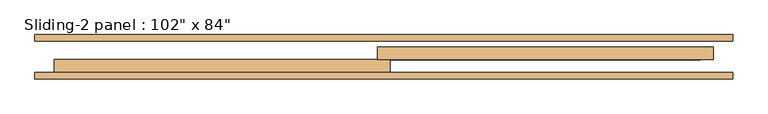
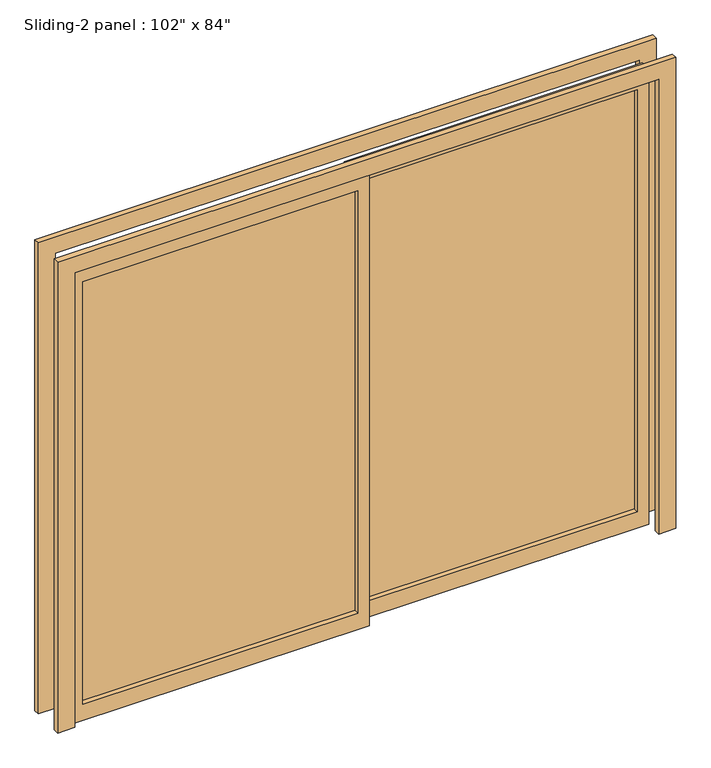
"""IFC4 building model written with IfcOpenShell, lengths in millimetres: door geometry."""

import ifcopenshell
import ifcopenshell.guid

model = None  # the IFC model being written
_history = None  # IfcOwnerHistory: only IFC2X3 demands one
_inside = {}  # id of a spatial element -> (the spatial element, [elements in it])
_under = {}  # id of a project, library or spatial element -> (it, [spatial elements below it])
_declared = {}  # id of a project -> (the project, [libraries it declares])
_typed = {}  # id of a type object -> (the type object, [elements of that type])
_made_of = {}  # id of a material, layer set ... -> (it, [elements and type objects made of it])


def new_model(schema):
    """Start an empty IFC model of exactly this schema.

    Asked for "IFC4X3", IfcOpenShell would pick the latest addendum, in which some entities
    have other attributes; the version numbers below select the first issue.
    IFC2X3 requires an IfcOwnerHistory on every rooted entity: one is made here for all.
    """
    global model, _history
    if schema == "IFC4X3":
        model = ifcopenshell.file(schema_version=(4, 3, 0, 0))
    else:
        model = ifcopenshell.file(schema=schema)
    _inside.clear()
    _under.clear()
    _declared.clear()
    _typed.clear()
    _made_of.clear()
    _history = None
    if model.schema == "IFC2X3":
        org = make("IfcOrganization", Name="unknown")
        user = make(
            "IfcPersonAndOrganization",
            ThePerson=make("IfcPerson", FamilyName="unknown"),
            TheOrganization=org,
        )
        app = make(
            "IfcApplication",
            ApplicationDeveloper=org,
            Version="unknown",
            ApplicationFullName="unknown",
            ApplicationIdentifier="unknown",
        )
        _history = make(
            "IfcOwnerHistory",
            OwningUser=user,
            OwningApplication=app,
            ChangeAction="ADDED",
            CreationDate=0,
        )
    return model


def make(cls, **values):
    """One entity of the class cls with the attributes given. An attribute that is None is left unset."""
    return model.create_entity(
        cls, **{name: value for name, value in values.items() if value is not None}
    )


def rooted(cls, **values):
    """An entity with a GlobalId (a new one), such as an element, a storey or a relation."""
    return make(cls, GlobalId=ifcopenshell.guid.new(), OwnerHistory=_history, **values)


def si_unit(unit_type, name, prefix=None):
    """IfcSIUnit, for example si_unit("LENGTHUNIT", "METRE", prefix="MILLI")."""
    return make("IfcSIUnit", UnitType=unit_type, Prefix=prefix, Name=name)


def assignment(units):
    """IfcUnitAssignment: the units of a project."""
    return None if units is None else make("IfcUnitAssignment", Units=units)


def point(xyz):
    """IfcCartesianPoint."""
    return None if xyz is None else make("IfcCartesianPoint", Coordinates=xyz)


def direction(xyz):
    """IfcDirection."""
    return None if xyz is None else make("IfcDirection", DirectionRatios=xyz)


def frame(location, z_axis=None, x_axis=None):
    """IfcAxis2Placement3D, a coordinate frame: its origin and axes. An axis left out is left unset."""
    return make(
        "IfcAxis2Placement3D",
        Location=point(location),
        Axis=direction(z_axis),
        RefDirection=direction(x_axis),
    )


def origin():
    """The frame at (0, 0, 0) with its axes left unset."""
    return frame((0.0, 0.0, 0.0))


def place(relative_to, where):
    """IfcLocalPlacement: puts the frame where relative to a parent placement (None: the world)."""
    return make(
        "IfcLocalPlacement", PlacementRelTo=relative_to, RelativePlacement=where
    )


def context(
    kind, dimensions, precision=None, world=None, true_north=None, identifier=None
):
    """IfcGeometricRepresentationContext, for example the 3D "Model" context."""
    return make(
        "IfcGeometricRepresentationContext",
        ContextIdentifier=identifier,
        ContextType=kind,
        CoordinateSpaceDimension=dimensions,
        Precision=precision,
        WorldCoordinateSystem=world,
        TrueNorth=true_north,
    )


def project(units=None, contexts=None):
    """IfcProject with its units and contexts."""
    return rooted(
        "IfcProject",
        Name="project",
        RepresentationContexts=contexts,
        UnitsInContext=assignment(units),
    )


def spatial(cls, under=None, at=None, **own):
    """A site, building, storey or space (cls), placed at a placement, below another one or the project."""
    s = rooted(cls, ObjectPlacement=at, **own)
    if under is not None:
        _under.setdefault(under.id(), (under, []))[1].append(s)
    return s


def polyline(points):
    """IfcPolyline through the points."""
    return make("IfcPolyline", Points=[point(p) for p in points])


def outline(outer, holes=None, kind="AREA"):
    """IfcArbitraryClosedProfileDef: a profile drawn as a closed curve; with holes, ...WithVoids."""
    if holes is None:
        return make("IfcArbitraryClosedProfileDef", ProfileType=kind, OuterCurve=outer)
    return make(
        "IfcArbitraryProfileDefWithVoids",
        ProfileType=kind,
        OuterCurve=outer,
        InnerCurves=holes,
    )


def extrude(swept, where, along, depth):
    """IfcExtrudedAreaSolid: the profile swept, set in the frame where, extruded along a direction by depth."""
    return make(
        "IfcExtrudedAreaSolid",
        SweptArea=swept,
        Position=where,
        ExtrudedDirection=direction(along),
        Depth=depth,
    )


def shape(context_of_items, identifier, shape_type, items):
    """IfcShapeRepresentation: the items that make up one representation, for example the "Body"."""
    return make(
        "IfcShapeRepresentation",
        ContextOfItems=context_of_items,
        RepresentationIdentifier=identifier,
        RepresentationType=shape_type,
        Items=items,
    )


def source(mapping_origin, context_of_items, identifier, shape_type, items):
    """IfcRepresentationMap: a shape defined once, which mapped items show again and again."""
    return make(
        "IfcRepresentationMap",
        MappingOrigin=mapping_origin,
        MappedRepresentation=shape(context_of_items, identifier, shape_type, items),
    )


def transform(
    local_origin,
    x_axis=None,
    y_axis=None,
    z_axis=None,
    scale=None,
    scale2=None,
    scale3=None,
    uniform=True,
):
    """IfcCartesianTransformationOperator3D, or its non-uniform kind. x_axis, y_axis, z_axis: its Axis1, 2, 3."""
    if uniform:
        return make(
            "IfcCartesianTransformationOperator3D",
            Axis1=direction(x_axis),
            Axis2=direction(y_axis),
            LocalOrigin=point(local_origin),
            Scale=scale,
            Axis3=direction(z_axis),
        )
    return make(
        "IfcCartesianTransformationOperator3DnonUniform",
        Axis1=direction(x_axis),
        Axis2=direction(y_axis),
        LocalOrigin=point(local_origin),
        Scale=scale,
        Axis3=direction(z_axis),
        Scale2=scale2,
        Scale3=scale3,
    )


def mapped(mapping_source, mapping_target):
    """IfcMappedItem: shows the shape of a source again, moved by a transform."""
    return make(
        "IfcMappedItem", MappingSource=mapping_source, MappingTarget=mapping_target
    )


def made_of(thing, what):
    """Note that an element or type object is made of a material, layer set ...; save() writes the relation."""
    if what is not None:
        _made_of.setdefault(what.id(), (what, []))[1].append(thing)
    return thing


def element(
    cls,
    number,
    at=None,
    inside=None,
    cuts=None,
    type_object=None,
    material=None,
    context=None,
    identifier="Body",
    shape_type=None,
    held_by="IfcProductDefinitionShape",
    body=None,
    shapes=None,
    **own,
):
    """One element of the class cls, such as IfcWall. Its Tag is "e" and its number.

    at: its placement. inside: the storey or other place that contains it. cuts: it is an
    opening in that element (IfcRelVoidsElement). A single representation is given by context,
    identifier, shape_type and body (its items); several are given by shapes. held_by: the class
    of the entity that holds the representations. save() writes the other relations.
    """
    e = rooted(cls, Tag="e%d" % number, ObjectPlacement=at, **own)
    if body is not None:
        shapes = [shape(context, identifier, shape_type, body)]
    if shapes is not None:
        e.Representation = make(held_by, Representations=shapes)
    if inside is not None:
        _inside.setdefault(inside.id(), (inside, []))[1].append(e)
    if cuts is not None:
        rooted(
            "IfcRelVoidsElement", RelatingBuildingElement=cuts, RelatedOpeningElement=e
        )
    if type_object is not None:
        _typed.setdefault(type_object.id(), (type_object, []))[1].append(e)
    return made_of(e, material)


def aggregate(whole, parts):
    """IfcRelAggregates: a whole, such as a stair, and the parts it consists of."""
    return rooted("IfcRelAggregates", RelatingObject=whole, RelatedObjects=parts)


def save(model, path):
    """Write the relations noted so far, then the file.

    IfcRelAggregates (storeys below a building ...), IfcRelContainedInSpatialStructure (elements
    in a storey), IfcRelDefinesByType, IfcRelAssociatesMaterial and IfcRelDeclares: one each for
    every whole, place, type object, material and project.
    """
    for whole, parts in _under.values():
        aggregate(whole, parts)
    for where, things in _inside.values():
        rooted(
            "IfcRelContainedInSpatialStructure",
            RelatedElements=things,
            RelatingStructure=where,
        )
    for kind, things in _typed.values():
        rooted("IfcRelDefinesByType", RelatedObjects=things, RelatingType=kind)
    for what, things in _made_of.values():
        rooted("IfcRelAssociatesMaterial", RelatedObjects=things, RelatingMaterial=what)
    for by, libraries in _declared.values():
        rooted("IfcRelDeclares", RelatingContext=by, RelatedDefinitions=libraries)
    model.write(path)


def door_877872b5(model_context):
    return source(origin(), model_context, "Body", "SweptSolid", [
        extrude(outline(polyline([(25.4, -115.8875), (25.4, -109.5375), (1244.6, -109.5375), (1244.6, -115.8875), (25.4, -115.8875)])), frame((0.0, 0.0, 76.2), z_axis=(0.0, 0.0, 1.0), x_axis=(1.0, 0.0, 0.0)), (0.0, 0.0, 1.0), 1981.2),
        extrude(outline(polyline([(2133.6, -25.4), (0.0, -25.4), (0.0, 1295.4), (2133.6, 1295.4), (2133.6, -25.4)]), holes=[polyline([(2057.4, 25.4), (2057.4, 1244.6), (76.2, 1244.6), (76.2, 25.4), (2057.4, 25.4)])]), frame((0.0, -138.1125, 0.0), z_axis=(0.0, 1.0, 0.0), x_axis=(0.0, 0.0, 1.0)), (0.0, 0.0, 1.0), 50.8),
        extrude(outline(polyline([(-1244.6, -166.6875), (-1244.6, -160.3375), (-25.4, -160.3375), (-25.4, -166.6875), (-1244.6, -166.6875)])), frame((0.0, 0.0, 76.2), z_axis=(0.0, 0.0, 1.0), x_axis=(1.0, 0.0, 0.0)), (0.0, 0.0, 1.0), 1981.2),
        extrude(outline(polyline([(2133.6, 25.4), (2133.6, -1295.4), (0.0, -1295.4), (0.0, 25.4), (2133.6, 25.4)]), holes=[polyline([(2057.4, -25.4), (76.2, -25.4), (76.2, -1244.6), (2057.4, -1244.6), (2057.4, -25.4)])]), frame((0.0, -188.9125, 0.0), z_axis=(0.0, 1.0, 0.0), x_axis=(0.0, 0.0, 1.0)), (0.0, 0.0, 1.0), 50.8),
        extrude(outline(polyline([(0.0, -1371.6), (0.0, -1295.4), (2133.6, -1295.4), (2133.6, 1295.4), (0.0, 1295.4), (0.0, 1371.6), (2209.8, 1371.6), (2209.8, -1371.6), (0.0, -1371.6)])), frame((0.0, -65.0875, 0.0), z_axis=(0.0, 1.0, 0.0), x_axis=(0.0, 0.0, 1.0)), (0.0, 0.0, 1.0), 25.4),
        extrude(outline(polyline([(0.0, 1371.6), (2209.8, 1371.6), (2209.8, -1371.6), (0.0, -1371.6), (0.0, -1295.4), (2133.6, -1295.4), (2133.6, 1295.4), (0.0, 1295.4), (0.0, 1371.6)])), frame((0.0, -214.3125, 0.0), z_axis=(0.0, 1.0, 0.0), x_axis=(0.0, 0.0, 1.0)), (0.0, 0.0, 1.0), 25.4),
    ])


if __name__ == "__main__":
    model = new_model("IFC4")
    model_context = context("Model", 3, world=origin())
    ifc_project = project(units=[si_unit("LENGTHUNIT", "METRE", prefix="MILLI")], contexts=[model_context])
    site = spatial("IfcSite", under=ifc_project)
    building = spatial("IfcBuilding", under=site)
    placement = place(None, origin())
    door_shape = door_877872b5(model_context)
    element("IfcDoor", 1, ObjectType="Sliding-2 panel : 102\" x 84\"", at=placement, inside=building, context=model_context, shape_type="MappedRepresentation", body=[
        mapped(door_shape, transform((0.0, 0.0, 0.0), x_axis=(1.0, 0.0, 0.0), y_axis=(0.0, 1.0, 0.0), z_axis=(0.0, 0.0, 1.0))),
    ])
    save(model, "model.ifc")
